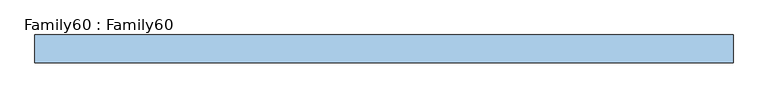
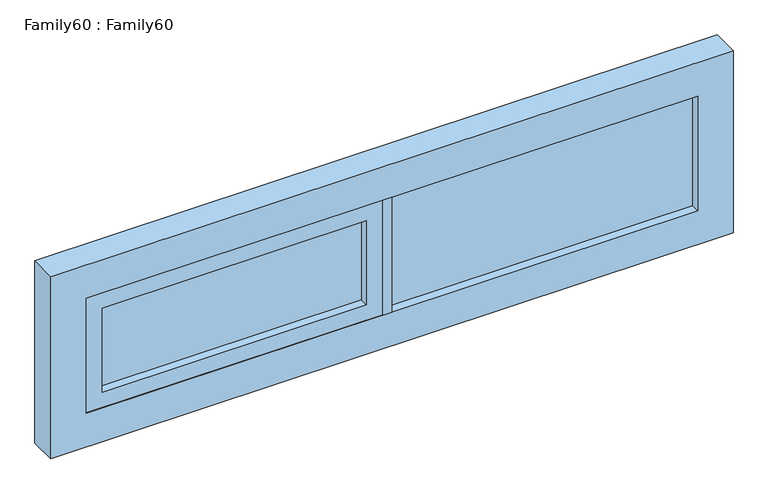
"""IFC4 building model written with IfcOpenShell, lengths in millimetres: window geometry, Family60 : Family60."""

from ifc_helpers import new_model, si_unit, frame, origin, place, context, project, spatial, polyline, outline, extrude, source, transform, mapped, element, save


def family60_family60_b0c9ab6e(model_context):
    return source(origin(), model_context, "Body", "SweptSolid", [
        extrude(outline(polyline([(936.0, 14.0), (936.0, 10.0), (0.0, 10.0), (0.0, 14.0), (936.0, 14.0)])), frame((0.0, 0.0, 909.0), z_axis=(0.0, 0.0, 1.0), x_axis=(1.0, 0.0, 0.0)), (0.0, 0.0, 1.0), 372.0),
        extrude(outline(polyline([(0.0, -10.0), (936.0, -10.0), (936.0, -14.0), (0.0, -14.0), (0.0, -10.0)])), frame((0.0, 0.0, 909.0), z_axis=(0.0, 0.0, 1.0), x_axis=(1.0, 0.0, 0.0)), (0.0, 0.0, 1.0), 372.0),
        extrude(outline(polyline([(-77.4945996, 14.0), (-77.4945996, 10.0), (-886.0, 10.0), (-886.0, 14.0), (-77.4945996, 14.0)])), frame((0.0, 0.0, 959.0), z_axis=(0.0, 0.0, 1.0), x_axis=(1.0, 0.0, 0.0)), (0.0, 0.0, 1.0), 272.0),
        extrude(outline(polyline([(-77.4945996, -10.0), (-77.4945996, -14.0), (-886.0, -14.0), (-886.0, -10.0), (-77.4945996, -10.0)])), frame((0.0, 0.0, 959.0), z_axis=(0.0, 0.0, 1.0), x_axis=(1.0, 0.0, 0.0)), (0.0, 0.0, 1.0), 272.0),
        extrude(outline(polyline([(0.0, -42.0), (-27.4945996, -42.0), (-27.4945996, 42.0), (0.0, 42.0), (0.0, -42.0)])), frame((0.0, 0.0, 909.0), z_axis=(0.0, 0.0, 1.0), x_axis=(1.0, 0.0, 0.0)), (0.0, 0.0, 1.0), 372.0),
        extrude(outline(polyline([(1281.0, -27.4945996), (1281.0, -936.0), (909.0, -936.0), (909.0, -27.4945996), (1281.0, -27.4945996)]), holes=[polyline([(1231.0, -77.4945996), (959.0, -77.4945996), (959.0, -886.0), (1231.0, -886.0), (1231.0, -77.4945996)])]), frame((0.0, -40.0, 0.0), z_axis=(0.0, 1.0, 0.0), x_axis=(0.0, 0.0, 1.0)), (0.0, 0.0, 1.0), 80.0),
        extrude(outline(polyline([(1390.0, 1045.0), (1390.0, -1045.0), (800.0, -1045.0), (800.0, 1045.0), (1390.0, 1045.0)]), holes=[polyline([(909.0, 936.0), (909.0, -936.0), (1281.0, -936.0), (1281.0, 936.0), (909.0, 936.0)])]), frame((0.0, -42.0, 0.0), z_axis=(0.0, 1.0, 0.0), x_axis=(0.0, 0.0, 1.0)), (0.0, 0.0, 1.0), 84.0),
    ])


if __name__ == "__main__":
    model = new_model("IFC4")
    model_context = context("Model", 3, world=origin())
    ifc_project = project(units=[si_unit("LENGTHUNIT", "METRE", prefix="MILLI")], contexts=[model_context])
    site = spatial("IfcSite", under=ifc_project)
    building = spatial("IfcBuilding", under=site)
    placement = place(None, origin())
    family60_family60_shape = family60_family60_b0c9ab6e(model_context)
    element("IfcWindow", 1, ObjectType="Family60 : Family60", at=placement, inside=building, context=model_context, shape_type="MappedRepresentation", body=[
        mapped(family60_family60_shape, transform((0.0, 0.0, 0.0), x_axis=(1.0, 0.0, 0.0), y_axis=(0.0, 1.0, 0.0), z_axis=(0.0, 0.0, 1.0))),
    ])
    save(model, "model.ifc")
